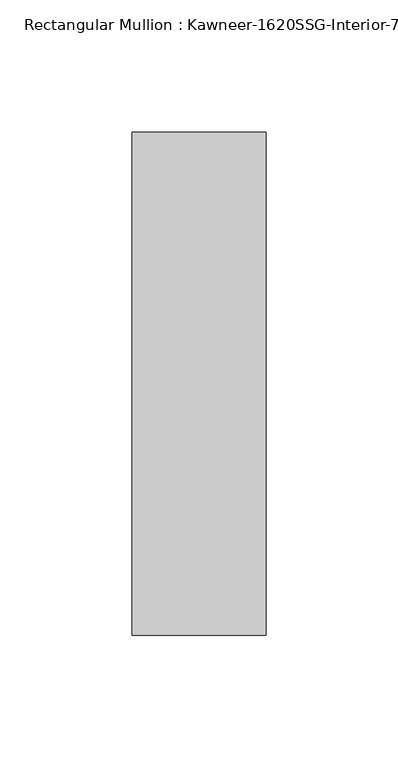
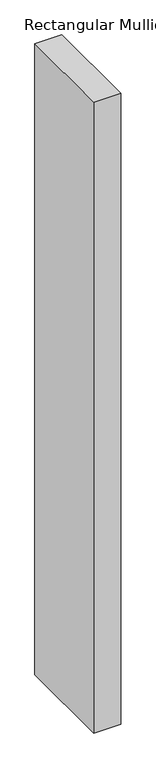
"""IFC4 building model written with IfcOpenShell, lengths in millimetres: member geometry."""

from ifc_helpers import new_model, si_unit, frame, origin, place, context, project, spatial, polyline, outline, extrude, source, transform, mapped, element, save


def member_cc9f8bc4(model_context):
    return source(origin(), model_context, "Body", "SweptSolid", [
        extrude(outline(polyline([(25.4, -161.925), (-25.4, -161.925), (-25.4, 28.575), (25.4, 28.575), (25.4, -161.925)])), frame((0.0, 0.0, -1251.8182369), z_axis=(0.0, 0.0, 1.0), x_axis=(1.0, 0.0, 0.0)), (0.0, 0.0, 1.0), 1251.8182369),
    ])


if __name__ == "__main__":
    model = new_model("IFC4")
    model_context = context("Model", 3, world=origin())
    ifc_project = project(units=[si_unit("LENGTHUNIT", "METRE", prefix="MILLI")], contexts=[model_context])
    site = spatial("IfcSite", under=ifc_project)
    building = spatial("IfcBuilding", under=site)
    placement = place(None, origin())
    member_shape = member_cc9f8bc4(model_context)
    element("IfcMember", 1, ObjectType="Rectangular Mullion : Kawneer-1620SSG-Interior-7.5\"-1/4\"Infill", at=placement, inside=building, context=model_context, shape_type="MappedRepresentation", body=[
        mapped(member_shape, transform((0.0, 0.0, 0.0), x_axis=(1.0, 0.0, 0.0), y_axis=(0.0, 1.0, 0.0), z_axis=(0.0, 0.0, 1.0))),
    ])
    save(model, "model.ifc")
